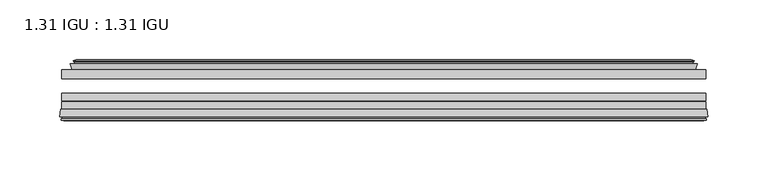
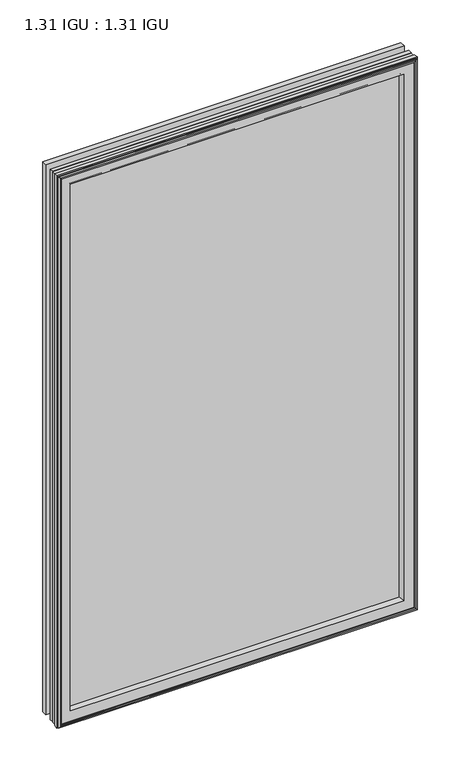
"""IFC4 building model written with IfcOpenShell, lengths in millimetres: plate geometry, 1.31 IGU : 1.31 IGU."""

from ifc_helpers import new_model, si_unit, frame, origin, place, context, project, spatial, polyline, ellipse_curve, outline, extrude, faceted_brep, source, transform, mapped, element, save
from ifc_brep_helpers import plane_surface, revolved_surface, advanced_brep


def plate_1_31_igu_1_31_igu_05d5b3e9(model_context):
    return source(origin(), model_context, "Body", "SolidModel", [
        extrude(outline(polyline([(269.859125, -17.9712937), (269.859125, -25.8960937), (-269.859125, -25.8960937), (-269.859125, -17.9712937), (269.859125, -17.9712937)])), frame((0.0, 0.0, -19.05), z_axis=(0.0, 0.0, 1.0), x_axis=(1.0, 0.0, 0.0)), (0.0, 0.0, 1.0), 876.3),
        extrude(outline(polyline([(-269.859125, -51.2960937), (-269.859125, -44.9460937), (269.859125, -44.9460937), (269.859125, -51.2960937), (-269.859125, -51.2960937)])), frame((0.0, 0.0, -19.05), z_axis=(0.0, 0.0, 1.0), x_axis=(1.0, 0.0, 0.0)), (0.0, 0.0, 1.0), 876.3),
        extrude(outline(polyline([(-269.859125, -44.1586938), (-269.859125, -37.8086938), (269.859125, -37.8086938), (269.859125, -44.1586938), (-269.859125, -44.1586938)])), frame((0.0, 0.0, -19.05), z_axis=(0.0, 0.0, 1.0), x_axis=(1.0, 0.0, 0.0)), (0.0, 0.0, 1.0), 876.3),
        faceted_brep([(-260.9405255, -17.9712937, 848.3314005), (-262.5847587, -13.1960937, 849.9756337), (-262.5847587, -13.1960937, -11.7756337), (-260.9405255, -17.9712937, -10.1314005), (-251.329825, -13.1960937, 838.7207), (-250.1603945, -17.9712937, 837.5512695), (-250.1603945, -17.9712937, 0.6487305), (-251.329825, -13.1960937, -0.5207), (-256.8945453, -10.902778, 844.2854203), (-256.2800531, -13.1960937, 843.6709281), (-256.2800531, -13.1960937, -5.4709281), (-256.8945453, -10.902778, -6.0854203), (-255.5022959, -11.27583, 842.8931709), (-255.5022959, -11.27583, -4.6931709), (-255.2709787, -10.4125422, 842.6618537), (-255.2709787, -10.4125422, -4.4618537), (-257.679825, -9.7670937, 845.0707), (-257.679825, -9.7670937, -6.8707), (-260.0886713, -10.4125422, 847.4795463), (-260.0886713, -10.4125422, -9.2795463), (-259.8573541, -11.27583, 847.2482291), (-259.8573541, -11.27583, -9.0482291), (-258.4705264, -10.9042307, 845.8614014), (-258.4705264, -10.9042307, -7.6614014), (-259.2151979, -13.1960937, 846.6060729), (-259.2151979, -13.1960937, -8.4060729), (262.5847587, -13.1960937, -11.7756337), (260.9405255, -17.9712937, -10.1314005), (250.1603945, -17.9712937, 0.6487305), (251.329825, -13.1960937, -0.5207), (256.2800531, -13.1960937, -5.4709281), (256.8945453, -10.902778, -6.0854203), (255.5022959, -11.27583, -4.6931709), (255.2709787, -10.4125422, -4.4618537), (257.679825, -9.7670937, -6.8707), (260.0886713, -10.4125422, -9.2795463), (259.8573541, -11.27583, -9.0482291), (258.4705264, -10.9042307, -7.6614014), (259.2151979, -13.1960937, -8.4060729), (262.5847587, -13.1960937, 849.9756337), (260.9405255, -17.9712937, 848.3314005), (250.1603945, -17.9712937, 837.5512695), (251.329825, -13.1960937, 838.7207), (256.2800531, -13.1960937, 843.6709281), (256.8945453, -10.902778, 844.2854203), (255.5022959, -11.27583, 842.8931709), (255.2709787, -10.4125422, 842.6618537), (257.679825, -9.7670937, 845.0707), (260.0886713, -10.4125422, 847.4795463), (259.8573541, -11.27583, 847.2482291), (258.4705264, -10.9042307, 845.8614014), (259.2151979, -13.1960937, 846.6060729)], [[[0, 1, 2, 3]], [[4, 5, 6, 7]], [[8, 9, 10, 11]], [[12, 8, 11, 13]], [[14, 12, 13, 15]], [[16, 14, 15, 17]], [[18, 16, 17, 19]], [[20, 18, 19, 21]], [[22, 20, 21, 23]], [[24, 22, 23, 25]], [[3, 2, 26, 27]], [[7, 6, 28, 29]], [[11, 10, 30, 31]], [[13, 11, 31, 32]], [[15, 13, 32, 33]], [[17, 15, 33, 34]], [[19, 17, 34, 35]], [[21, 19, 35, 36]], [[23, 21, 36, 37]], [[25, 23, 37, 38]], [[27, 26, 39, 40]], [[29, 28, 41, 42]], [[31, 30, 43, 44]], [[32, 31, 44, 45]], [[33, 32, 45, 46]], [[34, 33, 46, 47]], [[35, 34, 47, 48]], [[36, 35, 48, 49]], [[37, 36, 49, 50]], [[38, 37, 50, 51]], [[40, 39, 1, 0]], [[3, 27, 40, 0], [5, 41, 28, 6]], [[42, 41, 5, 4]], [[9, 43, 30, 10], [7, 29, 42, 4]], [[44, 43, 9, 8]], [[45, 44, 8, 12]], [[46, 45, 12, 14]], [[47, 46, 14, 16]], [[48, 47, 16, 18]], [[49, 48, 18, 20]], [[50, 49, 20, 22]], [[51, 50, 22, 24]], [[1, 39, 26, 2], [25, 38, 51, 24]]]),
        advanced_brep(
        [(-247.1718101, -51.2960937, 834.5626851), (-250.809125, -57.6460937, 838.2), (-250.809125, -57.6460937, 0.0), (-247.1718101, -51.2960937, 3.6373149), (-271.4549033, -57.6460937, 858.8457783), (-270.6752214, -51.2960937, 858.0660964), (-270.6752214, -51.2960937, -19.8660964), (-271.4549033, -57.6460937, -20.6457783), (-269.0548994, -59.6558685, 856.4457744), (-269.5139263, -57.6460937, 856.9048013), (-269.5139263, -57.6460937, -18.7048013), (-269.0548994, -59.6558685, -18.2457744), (-270.0385838, -59.3738016, 857.4294588), (-270.0385838, -59.3738016, -19.2294588), (-270.2920683, -60.2578071, 857.6829433), (-270.2920683, -60.2578071, -19.4829433), (-268.2691248, -60.8378768, 855.6599998), (-268.2691248, -60.8378768, -17.4599998), (-266.2254639, -60.2902795, 853.6163389), (-266.2254639, -60.2902795, -15.4163389), (-266.4703333, -59.3764147, 853.8612083), (-266.4703333, -59.3764147, -15.6612083), (-267.4929671, -59.6504286, 854.8838421), (-267.4929671, -59.6504286, -16.6838421), (-267.0302299, -57.6460937, 854.4211049), (-267.0302299, -57.6460937, -16.2211049), (250.809125, -57.6460938, 0.0), (247.1718101, -51.2960937, 3.6373149), (270.6752214, -51.2960937, -19.8660964), (271.4549033, -57.6460938, -20.6457783), (269.5139263, -57.6460938, -18.7048013), (269.0548994, -59.6558685, -18.2457744), (270.0385838, -59.3738016, -19.2294588), (270.2920683, -60.2578071, -19.4829433), (268.2691248, -60.8378768, -17.4599998), (266.2254639, -60.2902795, -15.4163389), (266.4703333, -59.3764147, -15.6612083), (267.4929671, -59.6504286, -16.6838421), (267.0302299, -57.6460938, -16.2211049), (250.809125, -57.6460938, 838.2), (247.1718101, -51.2960937, 834.5626851), (270.6752214, -51.2960937, 858.0660964), (271.4549033, -57.6460938, 858.8457783), (269.5139263, -57.6460938, 856.9048013), (269.0548994, -59.6558685, 856.4457744), (270.0385838, -59.3738016, 857.4294588), (270.2920683, -60.2578071, 857.6829433), (268.2691248, -60.8378768, 855.6599998), (266.2254639, -60.2902795, 853.6163389), (266.4703333, -59.3764147, 853.8612083), (267.4929671, -59.6504286, 854.8838421), (267.0302299, -57.6460938, 854.4211049)],
        [
            (0, 1, ellipse_curve(frame((-242.37818, -58.2586484, 829.769055), z_axis=(0.7071067811865475, 0.0, 0.7071067811865475), x_axis=(0.7071067811865474, 0.0, -0.7071067811865476)), 11.9545855, 8.4531685)),
            (1, 2),
            (2, 3, ellipse_curve(frame((-242.37818, -58.2586484, 8.430945), z_axis=(0.7071067811865475, 0.0, -0.7071067811865475), x_axis=(-0.7071067811865474, 0.0, -0.7071067811865476)), 11.9545855, 8.4531685)),
            (3, 0),
            (4, 5),
            (5, 6),
            (6, 7),
            (7, 4),
            (8, 9),
            (9, 10),
            (10, 11),
            (11, 8),
            (12, 8),
            (11, 13),
            (13, 12),
            (14, 12),
            (13, 15),
            (15, 14),
            (16, 14),
            (15, 17),
            (17, 16),
            (18, 16),
            (17, 19),
            (19, 18),
            (20, 18),
            (19, 21),
            (21, 20),
            (22, 20),
            (21, 23),
            (23, 22),
            (24, 22),
            (23, 25),
            (25, 24),
            (2, 26),
            (26, 27, ellipse_curve(frame((242.37818, -58.2586484, 8.430945), z_axis=(0.7071067811865475, 0.0, 0.7071067811865475), x_axis=(0.7071067811865476, 0.0, -0.7071067811865474)), 11.9545855, 8.4531685)),
            (27, 3),
            (6, 28),
            (28, 29),
            (29, 7),
            (10, 30),
            (30, 31),
            (31, 11),
            (31, 32),
            (32, 13),
            (32, 33),
            (33, 15),
            (33, 34),
            (34, 17),
            (34, 35),
            (35, 19),
            (35, 36),
            (36, 21),
            (36, 37),
            (37, 23),
            (37, 38),
            (38, 25),
            (26, 39),
            (39, 40, ellipse_curve(frame((242.37818, -58.2586484, 829.769055), z_axis=(-0.7071067811865475, 0.0, 0.7071067811865475), x_axis=(0.7071067811865474, 0.0, 0.7071067811865476)), 11.9545855, 8.4531685)),
            (40, 27),
            (28, 41),
            (41, 42),
            (42, 29),
            (30, 43),
            (43, 44),
            (44, 31),
            (44, 45),
            (45, 32),
            (45, 46),
            (46, 33),
            (46, 47),
            (47, 34),
            (47, 48),
            (48, 35),
            (48, 49),
            (49, 36),
            (49, 50),
            (50, 37),
            (50, 51),
            (51, 38),
            (51, 24),
            (1, 39),
            (0, 40),
            (5, 41),
            (4, 42),
            (9, 43),
            (8, 44),
            (12, 45),
            (14, 46),
            (16, 47),
            (18, 48),
            (20, 49),
            (22, 50),
        ],
        [
            revolved_surface(polyline([(-250.8313485, -58.2586484, -0.02222347332440222), (-250.8313485, -58.2586484, 838.2222234733243)]), (-242.37818, -58.2586484, 869.95), (0.0, 0.0, -1.0)),
            plane_surface(frame((-270.6752214, -51.2960937, 858.0660964), z_axis=(-0.9925461516413234, 0.12186934340513636, 0.0), x_axis=(0.0, 0.0, -1.0))),
            plane_surface(frame((-269.5139263, -57.6460937, 856.9048013), z_axis=(-0.9748953990049445, -0.22266333555165796, 0.0), x_axis=(0.0, 0.0, -1.0))),
            plane_surface(frame((-269.0548994, -59.6558685, 856.4457744), z_axis=(0.27563735581726606, 0.9612616959382424, 0.0), x_axis=(0.0, 0.0, -1.0))),
            plane_surface(frame((-270.0385838, -59.3738016, 857.4294588), z_axis=(-0.9612616959382463, 0.2756373558172523, 0.0), x_axis=(0.0, 0.0, -1.0))),
            plane_surface(frame((-270.2920683, -60.2578071, 857.6829433), z_axis=(-0.2756373558170135, -0.9612616959383148, 0.0), x_axis=(0.0, 0.0, -1.0))),
            plane_surface(frame((-268.2691248, -60.8378768, 855.6599998), z_axis=(0.25881904510226056, -0.965925826289138, 0.0), x_axis=(0.0, 0.0, -1.0))),
            plane_surface(frame((-266.2254639, -60.2902795, 853.6163389), z_axis=(0.9659258262891444, 0.25881904510223736, 0.0), x_axis=(0.0, 0.0, -1.0))),
            plane_surface(frame((-266.4703333, -59.3764147, 853.8612083), z_axis=(-0.2588190451025015, 0.9659258262890735, 0.0), x_axis=(0.0, 0.0, -1.0))),
            plane_surface(frame((-267.4929671, -59.6504286, 854.8838421), z_axis=(0.9743700647852117, -0.22495105434396695, 0.0), x_axis=(0.0, 0.0, -1.0))),
            revolved_surface(polyline([(250.83134847332428, -58.2586484, -0.02222350000000084), (-250.83134847332437, -58.2586484, -0.02222350000000084)]), (-282.559125, -58.2586484, 8.430945), (1.0, 0.0, 0.0)),
            plane_surface(frame((-270.6752214, -51.2960937, -19.8660964), z_axis=(0.0, 0.12186934340513315, -0.9925461516413239), x_axis=(1.0, 0.0, 0.0))),
            plane_surface(frame((-269.5139263, -57.6460937, -18.7048013), z_axis=(0.0, -0.22266333555166112, -0.9748953990049438), x_axis=(1.0, 0.0, 0.0))),
            plane_surface(frame((-269.0548994, -59.6558685, -18.2457744), z_axis=(0.0, 0.9612616959382433, 0.27563735581726295), x_axis=(1.0, 0.0, 0.0))),
            plane_surface(frame((-270.0385838, -59.3738016, -19.2294588), z_axis=(0.0, 0.2756373558172492, -0.9612616959382472), x_axis=(1.0, 0.0, 0.0))),
            plane_surface(frame((-270.2920683, -60.2578071, -19.4829433), z_axis=(0.0, -0.9612616959383157, -0.2756373558170104), x_axis=(1.0, 0.0, 0.0))),
            plane_surface(frame((-268.2691248, -60.8378768, -17.4599998), z_axis=(0.0, -0.9659258262891373, 0.2588190451022637), x_axis=(1.0, 0.0, 0.0))),
            plane_surface(frame((-266.2254639, -60.2902795, -15.4163389), z_axis=(0.0, 0.25881904510224046, 0.9659258262891435), x_axis=(1.0, 0.0, 0.0))),
            plane_surface(frame((-266.4703333, -59.3764147, -15.6612083), z_axis=(0.0, 0.9659258262890726, -0.2588190451025046), x_axis=(1.0, 0.0, 0.0))),
            plane_surface(frame((-267.4929671, -59.6504286, -16.6838421), z_axis=(0.0, -0.22495105434396379, 0.9743700647852125), x_axis=(1.0, 0.0, 0.0))),
            revolved_surface(polyline([(250.8313485, -58.2586484, 838.2222234733243), (250.8313485, -58.2586484, -0.022223473324370246)]), (242.37818, -58.2586484, -31.75), (0.0, 0.0, 1.0)),
            plane_surface(frame((270.6752214, -51.2960937, -19.8660964), z_axis=(0.9925461516413243, 0.12186934340512995, 0.0), x_axis=(0.0, 0.0, 1.0))),
            plane_surface(frame((269.5139263, -57.6460938, -18.7048013), z_axis=(0.9748953990049432, -0.2226633355516643, 0.0), x_axis=(0.0, 0.0, 1.0))),
            plane_surface(frame((269.0548994, -59.6558685, -18.2457744), z_axis=(-0.27563735581725984, 0.9612616959382442, 0.0), x_axis=(0.0, 0.0, 1.0))),
            plane_surface(frame((270.0385838, -59.3738016, -19.2294588), z_axis=(0.9612616959382481, 0.2756373558172461, 0.0), x_axis=(0.0, 0.0, 1.0))),
            plane_surface(frame((270.2920683, -60.2578071, -19.4829433), z_axis=(0.27563735581700727, -0.9612616959383166, 0.0), x_axis=(0.0, 0.0, 1.0))),
            plane_surface(frame((268.2691248, -60.8378768, -17.4599998), z_axis=(-0.25881904510226683, -0.9659258262891364, 0.0), x_axis=(0.0, 0.0, 1.0))),
            plane_surface(frame((266.2254639, -60.2902795, -15.4163389), z_axis=(-0.9659258262891426, 0.2588190451022436, 0.0), x_axis=(0.0, 0.0, 1.0))),
            plane_surface(frame((266.4703333, -59.3764147, -15.6612083), z_axis=(0.2588190451025077, 0.9659258262890718, 0.0), x_axis=(0.0, 0.0, 1.0))),
            plane_surface(frame((267.4929671, -59.6504286, -16.6838421), z_axis=(-0.9743700647852133, -0.22495105434396062, 0.0), x_axis=(0.0, 0.0, 1.0))),
            plane_surface(frame((267.0302299, -57.6460938, 854.4211049), z_axis=(0.0, -1.0, 0.0), x_axis=(-1.0, 0.0, 0.0))),
            revolved_surface(polyline([(-250.83134847332428, -58.2586484, 838.2222234999999), (250.83134847332437, -58.2586484, 838.2222234999999)]), (282.559125, -58.2586484, 829.769055), (-1.0, 0.0, 0.0)),
            plane_surface(frame((247.1718101, -51.2960937, 834.5626851), z_axis=(0.0, 1.0, 0.0), x_axis=(-1.0, 0.0, 0.0))),
            plane_surface(frame((270.6752214, -51.2960937, 858.0660964), z_axis=(0.0, 0.12186934340513315, 0.9925461516413239), x_axis=(-1.0, 0.0, 0.0))),
            plane_surface(frame((271.4549033, -57.6460938, 858.8457783), z_axis=(0.0, -1.0, 0.0), x_axis=(-1.0, 0.0, 0.0))),
            plane_surface(frame((269.5139263, -57.6460938, 856.9048013), z_axis=(0.0, -0.22266333555166112, 0.9748953990049438), x_axis=(-1.0, 0.0, 0.0))),
            plane_surface(frame((269.0548994, -59.6558685, 856.4457744), z_axis=(0.0, 0.9612616959382433, -0.27563735581726295), x_axis=(-1.0, 0.0, 0.0))),
            plane_surface(frame((270.0385838, -59.3738016, 857.4294588), z_axis=(0.0, 0.2756373558172492, 0.9612616959382472), x_axis=(-1.0, 0.0, 0.0))),
            plane_surface(frame((270.2920683, -60.2578071, 857.6829433), z_axis=(0.0, -0.9612616959383157, 0.2756373558170104), x_axis=(-1.0, 0.0, 0.0))),
            plane_surface(frame((268.2691248, -60.8378768, 855.6599998), z_axis=(0.0, -0.9659258262891373, -0.2588190451022637), x_axis=(-1.0, 0.0, 0.0))),
            plane_surface(frame((266.2254639, -60.2902795, 853.6163389), z_axis=(0.0, 0.25881904510224046, -0.9659258262891435), x_axis=(-1.0, 0.0, 0.0))),
            plane_surface(frame((266.4703333, -59.3764147, 853.8612083), z_axis=(0.0, 0.9659258262890726, 0.2588190451025046), x_axis=(-1.0, 0.0, 0.0))),
            plane_surface(frame((267.4929671, -59.6504286, 854.8838421), z_axis=(0.0, -0.22495105434396379, -0.9743700647852125), x_axis=(-1.0, 0.0, 0.0))),
        ],
        [
            (0, [[1, 2, 3, 4]]),
            (1, [[5, 6, 7, 8]]),
            (2, [[9, 10, 11, 12]]),
            (3, [[13, -12, 14, 15]]),
            (4, [[16, -15, 17, 18]]),
            (5, [[19, -18, 20, 21]]),
            (6, [[22, -21, 23, 24]]),
            (7, [[25, -24, 26, 27]]),
            (8, [[28, -27, 29, 30]]),
            (9, [[31, -30, 32, 33]]),
            (10, [[-3, 34, 35, 36]]),
            (11, [[-7, 37, 38, 39]]),
            (12, [[-11, 40, 41, 42]]),
            (13, [[-14, -42, 43, 44]]),
            (14, [[-17, -44, 45, 46]]),
            (15, [[-20, -46, 47, 48]]),
            (16, [[-23, -48, 49, 50]]),
            (17, [[-26, -50, 51, 52]]),
            (18, [[-29, -52, 53, 54]]),
            (19, [[-32, -54, 55, 56]]),
            (20, [[-35, 57, 58, 59]]),
            (21, [[-38, 60, 61, 62]]),
            (22, [[-41, 63, 64, 65]]),
            (23, [[-43, -65, 66, 67]]),
            (24, [[-45, -67, 68, 69]]),
            (25, [[-47, -69, 70, 71]]),
            (26, [[-49, -71, 72, 73]]),
            (27, [[-51, -73, 74, 75]]),
            (28, [[-53, -75, 76, 77]]),
            (29, [[-55, -77, 78, 79]]),
            (30, [[-56, -79, 80, -33], [81, -57, -34, -2]]),
            (31, [[-58, -81, -1, 82]]),
            (32, [[83, -60, -37, -6], [-36, -59, -82, -4]]),
            (33, [[-61, -83, -5, 84]]),
            (34, [[-39, -62, -84, -8], [85, -63, -40, -10]]),
            (35, [[-64, -85, -9, 86]]),
            (36, [[-66, -86, -13, 87]]),
            (37, [[-68, -87, -16, 88]]),
            (38, [[-70, -88, -19, 89]]),
            (39, [[-72, -89, -22, 90]]),
            (40, [[-74, -90, -25, 91]]),
            (41, [[-76, -91, -28, 92]]),
            (42, [[-78, -92, -31, -80]]),
        ],
    ),
    ])


if __name__ == "__main__":
    model = new_model("IFC4")
    model_context = context("Model", 3, world=origin())
    ifc_project = project(units=[si_unit("LENGTHUNIT", "METRE", prefix="MILLI")], contexts=[model_context])
    site = spatial("IfcSite", under=ifc_project)
    building = spatial("IfcBuilding", under=site)
    placement = place(None, origin())
    plate_1_31_igu_1_31_igu_shape = plate_1_31_igu_1_31_igu_05d5b3e9(model_context)
    element("IfcPlate", 1, ObjectType="1.31 IGU : 1.31 IGU", at=placement, inside=building, context=model_context, shape_type="MappedRepresentation", body=[
        mapped(plate_1_31_igu_1_31_igu_shape, transform((0.0, 0.0, 0.0), x_axis=(1.0, 0.0, 0.0), y_axis=(0.0, 1.0, 0.0), z_axis=(0.0, 0.0, 1.0))),
    ])
    save(model, "model.ifc")
